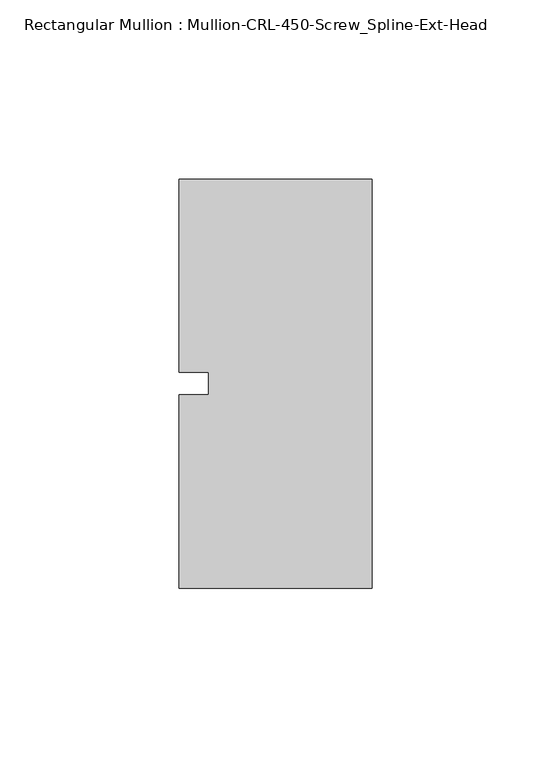
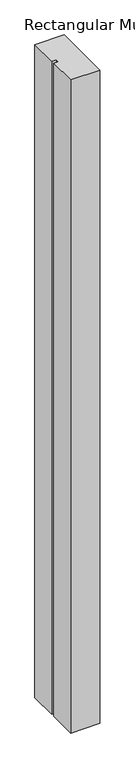
"""IFC4 building model written with IfcOpenShell, lengths in millimetres: member geometry, Rectangular Mullion : Mullion-CRL-450-Screw_Spline-Ext-Head."""

from ifc_helpers import new_model, si_unit, frame, origin, place, context, project, spatial, polyline, outline, extrude, source, transform, mapped, element, save


def rectangular_mullion_mullion_crl_450_screw_spline_ext_head_5d04fb85(model_context):
    return source(origin(), model_context, "Body", "SweptSolid", [
        extrude(outline(polyline([(-53.975, -57.15), (-53.975, -3.175), (-45.6826044, -3.175), (-45.6826044, 3.175), (-53.975, 3.175), (-53.975, 57.15), (0.0, 57.15), (0.0, -57.15), (-53.975, -57.15)])), frame((0.0, 0.0, -1278.4666667), z_axis=(0.0, 0.0, 1.0), x_axis=(1.0, 0.0, 0.0)), (0.0, 0.0, 1.0), 1278.4666667),
    ])


if __name__ == "__main__":
    model = new_model("IFC4")
    model_context = context("Model", 3, world=origin())
    ifc_project = project(units=[si_unit("LENGTHUNIT", "METRE", prefix="MILLI")], contexts=[model_context])
    site = spatial("IfcSite", under=ifc_project)
    building = spatial("IfcBuilding", under=site)
    placement = place(None, origin())
    rectangular_mullion_mullion_crl_450_screw_spline_ext_head_shape = rectangular_mullion_mullion_crl_450_screw_spline_ext_head_5d04fb85(model_context)
    element("IfcMember", 1, ObjectType="Rectangular Mullion : Mullion-CRL-450-Screw_Spline-Ext-Head", at=placement, inside=building, context=model_context, shape_type="MappedRepresentation", body=[
        mapped(rectangular_mullion_mullion_crl_450_screw_spline_ext_head_shape, transform((0.0, 0.0, 0.0), x_axis=(1.0, 0.0, 0.0), y_axis=(0.0, 1.0, 0.0), z_axis=(0.0, 0.0, 1.0))),
    ])
    save(model, "model.ifc")
